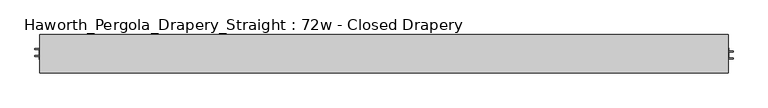
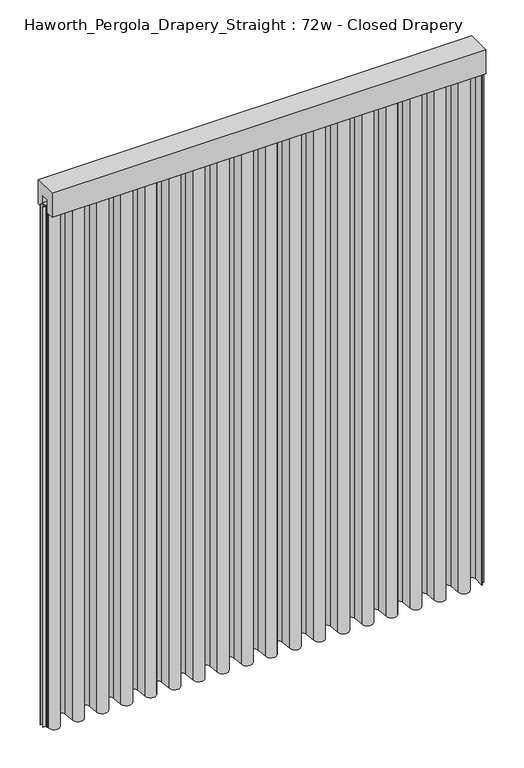
"""IFC4 building model written with IfcOpenShell, lengths in millimetres: furniture geometry, Haworth_Pergola_Drapery_Straight : 72w - Closed Drapery."""

from ifc_helpers import new_model, si_unit, point, frame, frame_2d, origin, place, context, project, spatial, polyline, circle_curve, trimmed, segment, composite_curve, outline, extrude, source, transform, mapped, element, save


def haworth_pergola_drapery_straight_72w_closed_drapery_c2cd0632(model_context):
    return source(origin(), model_context, "Body", "SweptSolid", [
        extrude(outline(polyline([(-50.8, 2438.4), (50.8, 2438.4), (50.8, 2331.8390625), (15.2182948, 2331.8390625), (15.2182948, 2388.7001663), (-15.2182948, 2388.7001663), (-15.2182948, 2331.8390625), (-50.8, 2331.8390625), (-50.8, 2438.4)])), frame((-1790.7, 0.0, 0.0), z_axis=(1.0, 0.0, 0.0), x_axis=(0.0, 1.0, 0.0)), (0.0, 0.0, 1.0), 1828.8),
        extrude(outline(composite_curve([segment(polyline([(-1788.7, -20.9840165), (-1788.7, 25.4000008), (-1787.90625, 25.4000008), (-1787.90625, -20.9840165)]), True, "CONTINUOUS"), segment(trimmed(circle_curve(frame_2d((-1765.2970217, -20.9840165)), 22.6092283), [point((-1787.90625, -20.9840165))], [point((-1742.779759, -23.0211916))], True, "CARTESIAN"), True, "CONTINUOUS"), segment(polyline([(-1742.779759, -23.0211916), (-1738.5801015, 23.3983779)]), True, "CONTINUOUS"), segment(trimmed(circle_curve(frame_2d((-1714.5, 21.2198101)), 24.17845), [point((-1738.5801015, 23.3983779))], [point((-1690.4198983, 23.3983756))], False, "CARTESIAN"), True, "CONTINUOUS"), segment(polyline([(-1690.4198983, 23.3983756), (-1686.2298605, -22.9149155)]), True, "CONTINUOUS"), segment(trimmed(circle_curve(frame_2d((-1663.7000023, -20.876603)), 22.621875), [point((-1686.2298605, -22.9149155))], [point((-1641.1701443, -22.9149177))], True, "CARTESIAN"), True, "CONTINUOUS"), segment(polyline([(-1641.1701443, -22.9149177), (-1637.0109007, 23.0579488)]), True, "CONTINUOUS"), segment(trimmed(circle_curve(frame_2d((-1612.9, 20.8765946)), 24.209375), [point((-1637.0109007, 23.0579488))], [point((-1588.7890991, 23.0579465))], False, "CARTESIAN"), True, "CONTINUOUS"), segment(polyline([(-1588.7890991, 23.0579465), (-1584.6298605, -22.9149157)]), True, "CONTINUOUS"), segment(trimmed(circle_curve(frame_2d((-1562.1000023, -20.8766032)), 22.621875), [point((-1584.6298605, -22.9149157))], [point((-1539.5701443, -22.9149178))], True, "CARTESIAN"), True, "CONTINUOUS"), segment(polyline([(-1539.5701443, -22.9149178), (-1535.4109007, 23.0579492)]), True, "CONTINUOUS"), segment(trimmed(circle_curve(frame_2d((-1511.3, 20.876595)), 24.209375), [point((-1535.4109007, 23.0579492))], [point((-1487.1890991, 23.0579469))], False, "CARTESIAN"), True, "CONTINUOUS"), segment(polyline([(-1487.1890991, 23.0579469), (-1483.0298605, -22.9149155)]), True, "CONTINUOUS"), segment(trimmed(circle_curve(frame_2d((-1460.5000023, -20.876603)), 22.621875), [point((-1483.0298605, -22.9149155))], [point((-1437.9701443, -22.9149177))], True, "CARTESIAN"), True, "CONTINUOUS"), segment(polyline([(-1437.9701443, -22.9149177), (-1433.7801015, 23.3983779)]), True, "CONTINUOUS"), segment(trimmed(circle_curve(frame_2d((-1409.7, 21.2198101)), 24.17845), [point((-1433.7801015, 23.3983779))], [point((-1385.6198983, 23.3983756))], False, "CARTESIAN"), True, "CONTINUOUS"), segment(polyline([(-1385.6198983, 23.3983756), (-1381.4298605, -22.9149155)]), True, "CONTINUOUS"), segment(trimmed(circle_curve(frame_2d((-1358.9000023, -20.876603)), 22.621875), [point((-1381.4298605, -22.9149155))], [point((-1336.3701443, -22.9149177))], True, "CARTESIAN"), True, "CONTINUOUS"), segment(polyline([(-1336.3701443, -22.9149177), (-1332.1801015, 23.3983779)]), True, "CONTINUOUS"), segment(trimmed(circle_curve(frame_2d((-1308.1, 21.2198101)), 24.17845), [point((-1332.1801015, 23.3983779))], [point((-1284.0198983, 23.3983756))], False, "CARTESIAN"), True, "CONTINUOUS"), segment(polyline([(-1284.0198983, 23.3983756), (-1279.8298605, -22.9149155)]), True, "CONTINUOUS"), segment(trimmed(circle_curve(frame_2d((-1257.3000023, -20.876603)), 22.621875), [point((-1279.8298605, -22.9149155))], [point((-1234.7701443, -22.9149177))], True, "CARTESIAN"), True, "CONTINUOUS"), segment(polyline([(-1234.7701443, -22.9149177), (-1230.5801015, 23.3983779)]), True, "CONTINUOUS"), segment(trimmed(circle_curve(frame_2d((-1206.5, 21.2198101)), 24.17845), [point((-1230.5801015, 23.3983779))], [point((-1182.4198983, 23.3983756))], False, "CARTESIAN"), True, "CONTINUOUS"), segment(polyline([(-1182.4198983, 23.3983756), (-1178.2298605, -22.9149155)]), True, "CONTINUOUS"), segment(trimmed(circle_curve(frame_2d((-1155.7000023, -20.876603)), 22.621875), [point((-1178.2298605, -22.9149155))], [point((-1133.1701443, -22.9149177))], True, "CARTESIAN"), True, "CONTINUOUS"), segment(polyline([(-1133.1701443, -22.9149177), (-1128.9801015, 23.3983779)]), True, "CONTINUOUS"), segment(trimmed(circle_curve(frame_2d((-1104.9, 21.2198101)), 24.17845), [point((-1128.9801015, 23.3983779))], [point((-1080.8198983, 23.3983756))], False, "CARTESIAN"), True, "CONTINUOUS"), segment(polyline([(-1080.8198983, 23.3983756), (-1076.6298605, -22.9149155)]), True, "CONTINUOUS"), segment(trimmed(circle_curve(frame_2d((-1054.1000023, -20.876603)), 22.621875), [point((-1076.6298605, -22.9149155))], [point((-1031.5701443, -22.9149177))], True, "CARTESIAN"), True, "CONTINUOUS"), segment(polyline([(-1031.5701443, -22.9149177), (-1027.3801015, 23.3983779)]), True, "CONTINUOUS"), segment(trimmed(circle_curve(frame_2d((-1003.3, 21.2198101)), 24.17845), [point((-1027.3801015, 23.3983779))], [point((-979.2198983, 23.3983756))], False, "CARTESIAN"), True, "CONTINUOUS"), segment(polyline([(-979.2198983, 23.3983756), (-975.0298605, -22.9149155)]), True, "CONTINUOUS"), segment(trimmed(circle_curve(frame_2d((-952.5000023, -20.876603)), 22.621875), [point((-975.0298605, -22.9149155))], [point((-929.9701443, -22.9149177))], True, "CARTESIAN"), True, "CONTINUOUS"), segment(polyline([(-929.9701443, -22.9149177), (-925.7801015, 23.3983779)]), True, "CONTINUOUS"), segment(trimmed(circle_curve(frame_2d((-901.7, 21.2198101)), 24.17845), [point((-925.7801015, 23.3983779))], [point((-877.6198983, 23.3983756))], False, "CARTESIAN"), True, "CONTINUOUS"), segment(polyline([(-877.6198983, 23.3983756), (-873.4298605, -22.9149155)]), True, "CONTINUOUS"), segment(trimmed(circle_curve(frame_2d((-850.9000023, -20.876603)), 22.621875), [point((-873.4298605, -22.9149155))], [point((-828.3701443, -22.9149177))], True, "CARTESIAN"), True, "CONTINUOUS"), segment(polyline([(-828.3701443, -22.9149177), (-824.1801015, 23.3983779)]), True, "CONTINUOUS"), segment(trimmed(circle_curve(frame_2d((-800.1, 21.2198101)), 24.17845), [point((-824.1801015, 23.3983779))], [point((-776.0198983, 23.3983756))], False, "CARTESIAN"), True, "CONTINUOUS"), segment(polyline([(-776.0198983, 23.3983756), (-771.8298605, -22.9149155)]), True, "CONTINUOUS"), segment(trimmed(circle_curve(frame_2d((-749.3000023, -20.876603)), 22.621875), [point((-771.8298605, -22.9149155))], [point((-726.7701443, -22.9149177))], True, "CARTESIAN"), True, "CONTINUOUS"), segment(polyline([(-726.7701443, -22.9149177), (-722.5801015, 23.3983779)]), True, "CONTINUOUS"), segment(trimmed(circle_curve(frame_2d((-698.5, 21.2198101)), 24.17845), [point((-722.5801015, 23.3983779))], [point((-674.4198983, 23.3983756))], False, "CARTESIAN"), True, "CONTINUOUS"), segment(polyline([(-674.4198983, 23.3983756), (-670.2298605, -22.9149155)]), True, "CONTINUOUS"), segment(trimmed(circle_curve(frame_2d((-647.7000023, -20.876603)), 22.621875), [point((-670.2298605, -22.9149155))], [point((-625.1701443, -22.9149177))], True, "CARTESIAN"), True, "CONTINUOUS"), segment(polyline([(-625.1701443, -22.9149177), (-620.9801015, 23.3983779)]), True, "CONTINUOUS"), segment(trimmed(circle_curve(frame_2d((-596.9, 21.2198101)), 24.17845), [point((-620.9801015, 23.3983779))], [point((-572.8198983, 23.3983756))], False, "CARTESIAN"), True, "CONTINUOUS"), segment(polyline([(-572.8198983, 23.3983756), (-568.6298605, -22.9149155)]), True, "CONTINUOUS"), segment(trimmed(circle_curve(frame_2d((-546.1000023, -20.876603)), 22.621875), [point((-568.6298605, -22.9149155))], [point((-523.5701443, -22.9149177))], True, "CARTESIAN"), True, "CONTINUOUS"), segment(polyline([(-523.5701443, -22.9149177), (-519.3801015, 23.3983779)]), True, "CONTINUOUS"), segment(trimmed(circle_curve(frame_2d((-495.3, 21.2198101)), 24.17845), [point((-519.3801015, 23.3983779))], [point((-471.2198983, 23.3983756))], False, "CARTESIAN"), True, "CONTINUOUS"), segment(polyline([(-471.2198983, 23.3983756), (-467.0298605, -22.9149155)]), True, "CONTINUOUS"), segment(trimmed(circle_curve(frame_2d((-444.5000023, -20.876603)), 22.621875), [point((-467.0298605, -22.9149155))], [point((-421.9701443, -22.9149177))], True, "CARTESIAN"), True, "CONTINUOUS"), segment(polyline([(-421.9701443, -22.9149177), (-417.7801015, 23.3983779)]), True, "CONTINUOUS"), segment(trimmed(circle_curve(frame_2d((-393.7, 21.2198101)), 24.17845), [point((-417.7801015, 23.3983779))], [point((-369.6198983, 23.3983756))], False, "CARTESIAN"), True, "CONTINUOUS"), segment(polyline([(-369.6198983, 23.3983756), (-365.4298605, -22.9149155)]), True, "CONTINUOUS"), segment(trimmed(circle_curve(frame_2d((-342.9000023, -20.876603)), 22.621875), [point((-365.4298605, -22.9149155))], [point((-320.3701443, -22.9149177))], True, "CARTESIAN"), True, "CONTINUOUS"), segment(polyline([(-320.3701443, -22.9149177), (-316.2109202, 23.0577332)]), True, "CONTINUOUS"), segment(trimmed(circle_curve(frame_2d((-292.1000195, 20.8763789)), 24.209375), [point((-316.2109202, 23.0577332))], [point((-267.9891225, 23.057773))], False, "CARTESIAN"), True, "CONTINUOUS"), segment(polyline([(-267.9891225, 23.057773), (-263.8298359, -22.9147223)]), True, "CONTINUOUS"), segment(trimmed(circle_curve(frame_2d((-241.2999812, -20.8763704)), 22.621875), [point((-263.8298359, -22.9147223))], [point((-218.7701232, -22.9146851))], True, "CARTESIAN"), True, "CONTINUOUS"), segment(polyline([(-218.7701232, -22.9146851), (-214.6109202, 23.0577332)]), True, "CONTINUOUS"), segment(trimmed(circle_curve(frame_2d((-190.5000195, 20.8763789)), 24.209375), [point((-214.6109202, 23.0577332))], [point((-166.3891225, 23.057773))], False, "CARTESIAN"), True, "CONTINUOUS"), segment(polyline([(-166.3891225, 23.057773), (-162.2298359, -22.9147223)]), True, "CONTINUOUS"), segment(trimmed(circle_curve(frame_2d((-139.6999812, -20.8763704)), 22.621875), [point((-162.2298359, -22.9147223))], [point((-117.1701232, -22.9146851))], True, "CARTESIAN"), True, "CONTINUOUS"), segment(polyline([(-117.1701232, -22.9146851), (-113.0109202, 23.0577332)]), True, "CONTINUOUS"), segment(trimmed(circle_curve(frame_2d((-88.9000195, 20.8763789)), 24.209375), [point((-113.0109202, 23.0577332))], [point((-64.7891225, 23.057773))], False, "CARTESIAN"), True, "CONTINUOUS"), segment(polyline([(-64.7891225, 23.057773), (-60.6298359, -22.9147223)]), True, "CONTINUOUS"), segment(trimmed(circle_curve(frame_2d((-38.0999812, -20.8763704)), 22.621875), [point((-60.6298359, -22.9147223))], [point((-15.5701232, -22.9146851))], True, "CARTESIAN"), True, "CONTINUOUS"), segment(polyline([(-15.5701232, -22.9146851), (-11.4023162, 23.1528353)]), True, "CONTINUOUS"), segment(trimmed(circle_curve(frame_2d((12.648991, 20.9768726)), 24.1495381), [point((-11.4023162, 23.1528353))], [point((36.7985291, 20.9768726))], False, "CARTESIAN"), True, "CONTINUOUS"), segment(polyline([(36.7985291, 20.9768726), (36.7985291, -25.4000007), (36.0047791, -25.4000007), (36.0047791, 20.9768726)]), True, "CONTINUOUS"), segment(trimmed(circle_curve(frame_2d((12.648991, 20.9768726)), 23.3557881), [point((36.0047791, 20.9768726))], [point((-10.6117948, 23.0813155))], True, "CARTESIAN"), True, "CONTINUOUS"), segment(polyline([(-10.6117948, 23.0813155), (-14.7796019, -22.9862049)]), True, "CONTINUOUS"), segment(trimmed(circle_curve(frame_2d((-38.0999812, -20.8763704)), 23.415625), [point((-14.7796019, -22.9862049))], [point((-61.4203571, -22.9862435))], False, "CARTESIAN"), True, "CONTINUOUS"), segment(polyline([(-61.4203571, -22.9862435), (-65.5796437, 22.9862519)]), True, "CONTINUOUS"), segment(trimmed(circle_curve(frame_2d((-88.9000195, 20.8763789)), 23.415625), [point((-65.5796437, 22.9862519))], [point((-112.2203989, 22.9862134))], True, "CARTESIAN"), True, "CONTINUOUS"), segment(polyline([(-112.2203989, 22.9862134), (-116.3796019, -22.9862049)]), True, "CONTINUOUS"), segment(trimmed(circle_curve(frame_2d((-139.6999812, -20.8763704)), 23.415625), [point((-116.3796019, -22.9862049))], [point((-163.0203571, -22.9862435))], False, "CARTESIAN"), True, "CONTINUOUS"), segment(polyline([(-163.0203571, -22.9862435), (-167.1796437, 22.9862519)]), True, "CONTINUOUS"), segment(trimmed(circle_curve(frame_2d((-190.5000195, 20.8763789)), 23.415625), [point((-167.1796437, 22.9862519))], [point((-213.8203989, 22.9862134))], True, "CARTESIAN"), True, "CONTINUOUS"), segment(polyline([(-213.8203989, 22.9862134), (-217.9796019, -22.9862049)]), True, "CONTINUOUS"), segment(trimmed(circle_curve(frame_2d((-241.2999812, -20.8763704)), 23.415625), [point((-217.9796019, -22.9862049))], [point((-264.6203571, -22.9862435))], False, "CARTESIAN"), True, "CONTINUOUS"), segment(polyline([(-264.6203571, -22.9862435), (-268.7796437, 22.9862519)]), True, "CONTINUOUS"), segment(trimmed(circle_curve(frame_2d((-292.1000195, 20.8763789)), 23.415625), [point((-268.7796437, 22.9862519))], [point((-315.4203989, 22.9862134))], True, "CARTESIAN"), True, "CONTINUOUS"), segment(polyline([(-315.4203989, 22.9862134), (-319.5796229, -22.9864375)]), True, "CONTINUOUS"), segment(trimmed(circle_curve(frame_2d((-342.9000023, -20.876603)), 23.415625), [point((-319.5796229, -22.9864375))], [point((-366.2203818, -22.9864352))], False, "CARTESIAN"), True, "CONTINUOUS"), segment(polyline([(-366.2203818, -22.9864352), (-370.4104196, 23.3268558)]), True, "CONTINUOUS"), segment(trimmed(circle_curve(frame_2d((-393.7, 21.2198101)), 23.3847), [point((-370.4104196, 23.3268558))], [point((-416.9895802, 23.3268581))], True, "CARTESIAN"), True, "CONTINUOUS"), segment(polyline([(-416.9895802, 23.3268581), (-421.1796229, -22.9864375)]), True, "CONTINUOUS"), segment(trimmed(circle_curve(frame_2d((-444.5000023, -20.876603)), 23.415625), [point((-421.1796229, -22.9864375))], [point((-467.8203818, -22.9864352))], False, "CARTESIAN"), True, "CONTINUOUS"), segment(polyline([(-467.8203818, -22.9864352), (-472.0104196, 23.3268558)]), True, "CONTINUOUS"), segment(trimmed(circle_curve(frame_2d((-495.3, 21.2198101)), 23.3847), [point((-472.0104196, 23.3268558))], [point((-518.5895802, 23.3268581))], True, "CARTESIAN"), True, "CONTINUOUS"), segment(polyline([(-518.5895802, 23.3268581), (-522.7796229, -22.9864375)]), True, "CONTINUOUS"), segment(trimmed(circle_curve(frame_2d((-546.1000023, -20.876603)), 23.415625), [point((-522.7796229, -22.9864375))], [point((-569.4203818, -22.9864352))], False, "CARTESIAN"), True, "CONTINUOUS"), segment(polyline([(-569.4203818, -22.9864352), (-573.6104196, 23.3268558)]), True, "CONTINUOUS"), segment(trimmed(circle_curve(frame_2d((-596.9, 21.2198101)), 23.3847), [point((-573.6104196, 23.3268558))], [point((-620.1895802, 23.3268581))], True, "CARTESIAN"), True, "CONTINUOUS"), segment(polyline([(-620.1895802, 23.3268581), (-624.3796229, -22.9864375)]), True, "CONTINUOUS"), segment(trimmed(circle_curve(frame_2d((-647.7000023, -20.876603)), 23.415625), [point((-624.3796229, -22.9864375))], [point((-671.0203818, -22.9864352))], False, "CARTESIAN"), True, "CONTINUOUS"), segment(polyline([(-671.0203818, -22.9864352), (-675.2104196, 23.3268558)]), True, "CONTINUOUS"), segment(trimmed(circle_curve(frame_2d((-698.5, 21.2198101)), 23.3847), [point((-675.2104196, 23.3268558))], [point((-721.7895802, 23.3268581))], True, "CARTESIAN"), True, "CONTINUOUS"), segment(polyline([(-721.7895802, 23.3268581), (-725.9796229, -22.9864375)]), True, "CONTINUOUS"), segment(trimmed(circle_curve(frame_2d((-749.3000023, -20.876603)), 23.415625), [point((-725.9796229, -22.9864375))], [point((-772.6203818, -22.9864352))], False, "CARTESIAN"), True, "CONTINUOUS"), segment(polyline([(-772.6203818, -22.9864352), (-776.8104196, 23.3268558)]), True, "CONTINUOUS"), segment(trimmed(circle_curve(frame_2d((-800.1, 21.2198101)), 23.3847), [point((-776.8104196, 23.3268558))], [point((-823.3895802, 23.3268581))], True, "CARTESIAN"), True, "CONTINUOUS"), segment(polyline([(-823.3895802, 23.3268581), (-827.5796229, -22.9864375)]), True, "CONTINUOUS"), segment(trimmed(circle_curve(frame_2d((-850.9000023, -20.876603)), 23.415625), [point((-827.5796229, -22.9864375))], [point((-874.2203818, -22.9864352))], False, "CARTESIAN"), True, "CONTINUOUS"), segment(polyline([(-874.2203818, -22.9864352), (-878.4104196, 23.3268558)]), True, "CONTINUOUS"), segment(trimmed(circle_curve(frame_2d((-901.7, 21.2198101)), 23.3847), [point((-878.4104196, 23.3268558))], [point((-924.9895802, 23.3268581))], True, "CARTESIAN"), True, "CONTINUOUS"), segment(polyline([(-924.9895802, 23.3268581), (-929.1796229, -22.9864375)]), True, "CONTINUOUS"), segment(trimmed(circle_curve(frame_2d((-952.5000023, -20.876603)), 23.415625), [point((-929.1796229, -22.9864375))], [point((-975.8203818, -22.9864352))], False, "CARTESIAN"), True, "CONTINUOUS"), segment(polyline([(-975.8203818, -22.9864352), (-980.0104196, 23.3268558)]), True, "CONTINUOUS"), segment(trimmed(circle_curve(frame_2d((-1003.3, 21.2198101)), 23.3847), [point((-980.0104196, 23.3268558))], [point((-1026.5895802, 23.3268581))], True, "CARTESIAN"), True, "CONTINUOUS"), segment(polyline([(-1026.5895802, 23.3268581), (-1030.7796229, -22.9864375)]), True, "CONTINUOUS"), segment(trimmed(circle_curve(frame_2d((-1054.1000023, -20.876603)), 23.415625), [point((-1030.7796229, -22.9864375))], [point((-1077.4203818, -22.9864352))], False, "CARTESIAN"), True, "CONTINUOUS"), segment(polyline([(-1077.4203818, -22.9864352), (-1081.6104196, 23.3268558)]), True, "CONTINUOUS"), segment(trimmed(circle_curve(frame_2d((-1104.9, 21.2198101)), 23.3847), [point((-1081.6104196, 23.3268558))], [point((-1128.1895802, 23.3268581))], True, "CARTESIAN"), True, "CONTINUOUS"), segment(polyline([(-1128.1895802, 23.3268581), (-1132.3796229, -22.9864375)]), True, "CONTINUOUS"), segment(trimmed(circle_curve(frame_2d((-1155.7000023, -20.876603)), 23.415625), [point((-1132.3796229, -22.9864375))], [point((-1179.0203818, -22.9864352))], False, "CARTESIAN"), True, "CONTINUOUS"), segment(polyline([(-1179.0203818, -22.9864352), (-1183.2104196, 23.3268558)]), True, "CONTINUOUS"), segment(trimmed(circle_curve(frame_2d((-1206.5, 21.2198101)), 23.3847), [point((-1183.2104196, 23.3268558))], [point((-1229.7895802, 23.3268581))], True, "CARTESIAN"), True, "CONTINUOUS"), segment(polyline([(-1229.7895802, 23.3268581), (-1233.9796229, -22.9864375)]), True, "CONTINUOUS"), segment(trimmed(circle_curve(frame_2d((-1257.3000023, -20.876603)), 23.415625), [point((-1233.9796229, -22.9864375))], [point((-1280.6203818, -22.9864352))], False, "CARTESIAN"), True, "CONTINUOUS"), segment(polyline([(-1280.6203818, -22.9864352), (-1284.8104196, 23.3268558)]), True, "CONTINUOUS"), segment(trimmed(circle_curve(frame_2d((-1308.1, 21.2198101)), 23.3847), [point((-1284.8104196, 23.3268558))], [point((-1331.3895802, 23.3268581))], True, "CARTESIAN"), True, "CONTINUOUS"), segment(polyline([(-1331.3895802, 23.3268581), (-1335.5796229, -22.9864375)]), True, "CONTINUOUS"), segment(trimmed(circle_curve(frame_2d((-1358.9000023, -20.876603)), 23.415625), [point((-1335.5796229, -22.9864375))], [point((-1382.2203818, -22.9864352))], False, "CARTESIAN"), True, "CONTINUOUS"), segment(polyline([(-1382.2203818, -22.9864352), (-1386.4104196, 23.3268558)]), True, "CONTINUOUS"), segment(trimmed(circle_curve(frame_2d((-1409.7, 21.2198101)), 23.3847), [point((-1386.4104196, 23.3268558))], [point((-1432.9895802, 23.3268581))], True, "CARTESIAN"), True, "CONTINUOUS"), segment(polyline([(-1432.9895802, 23.3268581), (-1437.1796229, -22.9864375)]), True, "CONTINUOUS"), segment(trimmed(circle_curve(frame_2d((-1460.5000023, -20.876603)), 23.415625), [point((-1437.1796229, -22.9864375))], [point((-1483.8203818, -22.9864352))], False, "CARTESIAN"), True, "CONTINUOUS"), segment(polyline([(-1483.8203818, -22.9864352), (-1487.9796205, 22.9864271)]), True, "CONTINUOUS"), segment(trimmed(circle_curve(frame_2d((-1511.3, 20.876595)), 23.415625), [point((-1487.9796205, 22.9864271))], [point((-1534.6203794, 22.9864294))], True, "CARTESIAN"), True, "CONTINUOUS"), segment(polyline([(-1534.6203794, 22.9864294), (-1538.7796229, -22.9864377)]), True, "CONTINUOUS"), segment(trimmed(circle_curve(frame_2d((-1562.1000023, -20.8766032)), 23.415625), [point((-1538.7796229, -22.9864377))], [point((-1585.4203818, -22.9864354))], False, "CARTESIAN"), True, "CONTINUOUS"), segment(polyline([(-1585.4203818, -22.9864354), (-1589.5796205, 22.9864268)]), True, "CONTINUOUS"), segment(trimmed(circle_curve(frame_2d((-1612.9, 20.8765946)), 23.415625), [point((-1589.5796205, 22.9864268))], [point((-1636.2203794, 22.986429))], True, "CARTESIAN"), True, "CONTINUOUS"), segment(polyline([(-1636.2203794, 22.986429), (-1640.3796229, -22.9864375)]), True, "CONTINUOUS"), segment(trimmed(circle_curve(frame_2d((-1663.7000023, -20.876603)), 23.415625), [point((-1640.3796229, -22.9864375))], [point((-1687.0203818, -22.9864352))], False, "CARTESIAN"), True, "CONTINUOUS"), segment(polyline([(-1687.0203818, -22.9864352), (-1691.2104196, 23.3268558)]), True, "CONTINUOUS"), segment(trimmed(circle_curve(frame_2d((-1714.5, 21.2198101)), 23.3847), [point((-1691.2104196, 23.3268558))], [point((-1737.7895802, 23.3268581))], True, "CARTESIAN"), True, "CONTINUOUS"), segment(polyline([(-1737.7895802, 23.3268581), (-1741.9892377, -23.0927114)]), True, "CONTINUOUS"), segment(trimmed(circle_curve(frame_2d((-1765.2970217, -20.9840165)), 23.4029783), [point((-1741.9892377, -23.0927114))], [point((-1788.7, -20.9840165))], False, "CARTESIAN"), True, "CONTINUOUS")], self_intersect=False)), frame((0.0, 0.0, 38.1), z_axis=(0.0, 0.0, 1.0), x_axis=(1.0, 0.0, 0.0)), (0.0, 0.0, 1.0), 2305.05),
        extrude(outline(polyline([(-1790.7, -15.2249995), (-1790.7, 15.2249996), (38.1, 15.2249996), (38.1, -15.2249995), (-1790.7, -15.2249995)])), frame((0.0, 0.0, 2355.85), z_axis=(0.0, 0.0, 1.0), x_axis=(1.0, 0.0, 0.0)), (0.0, 0.0, 1.0), 1.7500385),
        extrude(outline(polyline([(38.1, -15.2249996), (38.1, 15.2249995), (39.8500001, 15.2249995), (39.8500001, 7.8249998), (51.4999997, 7.8249998), (51.4999997, 4.8250001), (39.8500001, 4.8250001), (39.8500001, -11.8250005), (51.3499997, -11.8250005), (51.3499997, -13.3999997), (39.8500001, -13.3999997), (39.8500001, -15.2249996), (38.1, -15.2249996)])), frame((0.0, 0.0, 38.1), z_axis=(0.0, 0.0, 1.0), x_axis=(1.0, 0.0, 0.0)), (0.0, 0.0, 1.0), 2317.75),
        extrude(outline(polyline([(-1790.7, 15.2249996), (-1790.7, -15.2249995), (-1792.4500001, -15.2249995), (-1792.4500001, -7.8249998), (-1804.0999997, -7.8249998), (-1804.0999997, -4.8250001), (-1792.4500001, -4.8250001), (-1792.4500001, 11.8250005), (-1803.9499997, 11.8250005), (-1803.9499997, 13.3999997), (-1792.4500001, 13.3999997), (-1792.4500001, 15.2249996), (-1790.7, 15.2249996)])), frame((0.0, 0.0, 38.1), z_axis=(0.0, 0.0, 1.0), x_axis=(1.0, 0.0, 0.0)), (0.0, 0.0, 1.0), 2317.75),
        extrude(outline(composite_curve([segment(trimmed(circle_curve(frame_2d((-876.3, 0.0)), 6.0), [point((-882.3, 0.0))], [point((-870.3, 0.0))], False, "CARTESIAN"), True, "CONTINUOUS"), segment(trimmed(circle_curve(frame_2d((-876.3, 0.0)), 6.0), [point((-870.3, 0.0))], [point((-882.3, 0.0))], False, "CARTESIAN"), True, "CONTINUOUS")], self_intersect=False)), frame((0.0, 0.0, 2319.1390625), z_axis=(0.0, 0.0, 1.0), x_axis=(1.0, 0.0, 0.0)), (0.0, 0.0, 1.0), 36.7109375),
    ])


if __name__ == "__main__":
    model = new_model("IFC4")
    model_context = context("Model", 3, world=origin())
    ifc_project = project(units=[si_unit("LENGTHUNIT", "METRE", prefix="MILLI")], contexts=[model_context])
    site = spatial("IfcSite", under=ifc_project)
    building = spatial("IfcBuilding", under=site)
    placement = place(None, origin())
    haworth_pergola_drapery_straight_72w_closed_drapery_shape = haworth_pergola_drapery_straight_72w_closed_drapery_c2cd0632(model_context)
    element("IfcFurniture", 1, ObjectType="Haworth_Pergola_Drapery_Straight : 72w - Closed Drapery", at=placement, inside=building, context=model_context, shape_type="MappedRepresentation", body=[
        mapped(haworth_pergola_drapery_straight_72w_closed_drapery_shape, transform((0.0, 0.0, 0.0), x_axis=(1.0, 0.0, 0.0), y_axis=(0.0, 1.0, 0.0), z_axis=(0.0, 0.0, 1.0))),
    ])
    save(model, "model.ifc")
